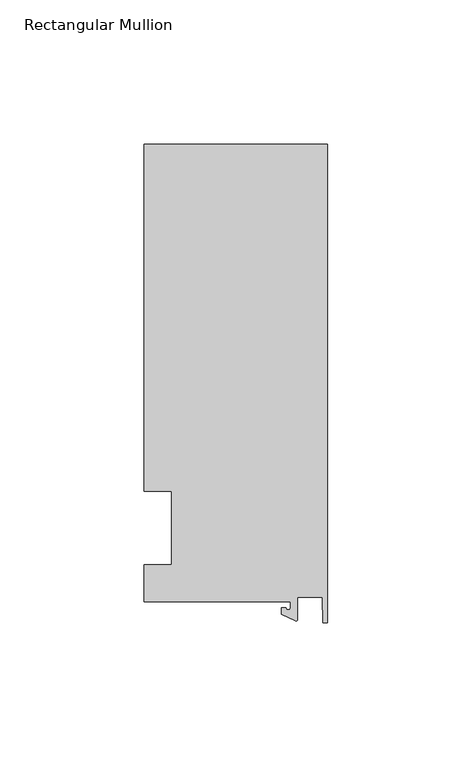
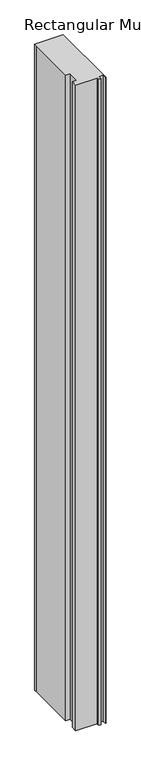
"""IFC4 building model written with IfcOpenShell, lengths in millimetres: member geometry, Rectangular Mullion."""

from ifc_helpers import new_model, si_unit, point, frame, frame_2d, origin, place, context, project, spatial, polyline, circle_curve, trimmed, segment, composite_curve, outline, extrude, source, transform, mapped, element, save


def rectangular_mullion_ff5a7669(model_context):
    return source(origin(), model_context, "Body", "SweptSolid", [
        extrude(outline(composite_curve([segment(polyline([(-12.8216721, -25.5984375), (-63.5, -25.5984375), (-63.5, -12.7), (-53.975, -12.7), (-53.975, 12.7), (-63.5, 12.7), (-63.5, 125.075512), (-63.5, 132.822512), (0.0, 132.822512), (0.0, -32.810012), (-1.5566453, -32.810012), (-1.7144124, -23.9227662), (-10.4340721, -23.9227662), (-10.4340721, -31.6795354)]), True, "CONTINUOUS"), segment(trimmed(circle_curve(frame_2d((-10.9420721, -31.6795354)), 0.508), [point((-10.4340721, -31.6795354))], [point((-11.1567622, -32.1399398))], False, "CARTESIAN"), True, "CONTINUOUS"), segment(polyline([(-11.1567622, -32.1399398), (-15.9966721, -29.8830527), (-15.9966721, -27.5208534), (-14.4091721, -27.5208534)]), True, "CONTINUOUS"), segment(trimmed(circle_curve(frame_2d((-13.6154221, -27.5208534)), 0.79375), [point((-14.4091721, -27.5208534))], [point((-12.8216721, -27.5208534))], True, "CARTESIAN"), True, "CONTINUOUS"), segment(polyline([(-12.8216721, -27.5208534), (-12.8216721, -25.5984375)]), True, "CONTINUOUS")], self_intersect=False)), frame((0.0, 0.0, -1524.0), z_axis=(0.0, 0.0, 1.0), x_axis=(1.0, 0.0, 0.0)), (0.0, 0.0, 1.0), 1524.0),
    ])


if __name__ == "__main__":
    model = new_model("IFC4")
    model_context = context("Model", 3, world=origin())
    ifc_project = project(units=[si_unit("LENGTHUNIT", "METRE", prefix="MILLI")], contexts=[model_context])
    site = spatial("IfcSite", under=ifc_project)
    building = spatial("IfcBuilding", under=site)
    placement = place(None, origin())
    rectangular_mullion_shape = rectangular_mullion_ff5a7669(model_context)
    element("IfcMember", 1, ObjectType="Rectangular Mullion", at=placement, inside=building, context=model_context, shape_type="MappedRepresentation", body=[
        mapped(rectangular_mullion_shape, transform((0.0, 0.0, 0.0), x_axis=(1.0, 0.0, 0.0), y_axis=(0.0, 1.0, 0.0), z_axis=(0.0, 0.0, 1.0))),
    ])
    save(model, "model.ifc")
